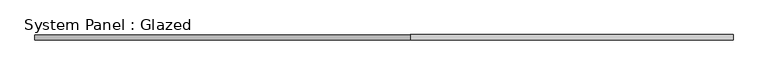
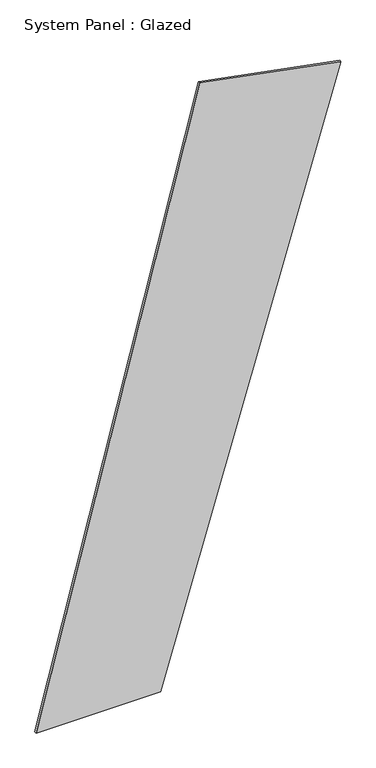
"""IFC4 building model written with IfcOpenShell, lengths in millimetres: plate geometry, System Panel : Glazed."""

from ifc_helpers import new_model, si_unit, frame, origin, place, context, project, spatial, polyline, outline, extrude, source, transform, mapped, element, save


def system_panel_glazed_ba4dd339(model_context):
    return source(origin(), model_context, "Body", "SweptSolid", [
        extrude(outline(polyline([(0.0, -1652.2403114), (0.0, -302.2102341), (6528.3123607, 1652.2403114), (6820.2506641, 123.3493128), (0.0, -1652.2403114)])), frame((0.0, 24.5, 0.0), z_axis=(0.0, 1.0, 0.0), x_axis=(0.0, 0.0, 1.0)), (0.0, 0.0, 1.0), 25.0),
    ])


if __name__ == "__main__":
    model = new_model("IFC4")
    model_context = context("Model", 3, world=origin())
    ifc_project = project(units=[si_unit("LENGTHUNIT", "METRE", prefix="MILLI")], contexts=[model_context])
    site = spatial("IfcSite", under=ifc_project)
    building = spatial("IfcBuilding", under=site)
    placement = place(None, origin())
    system_panel_glazed_shape = system_panel_glazed_ba4dd339(model_context)
    element("IfcPlate", 1, ObjectType="System Panel : Glazed", at=placement, inside=building, context=model_context, shape_type="MappedRepresentation", body=[
        mapped(system_panel_glazed_shape, transform((0.0, 0.0, 0.0), x_axis=(1.0, 0.0, 0.0), y_axis=(0.0, 1.0, 0.0), z_axis=(0.0, 0.0, 1.0))),
    ])
    save(model, "model.ifc")
